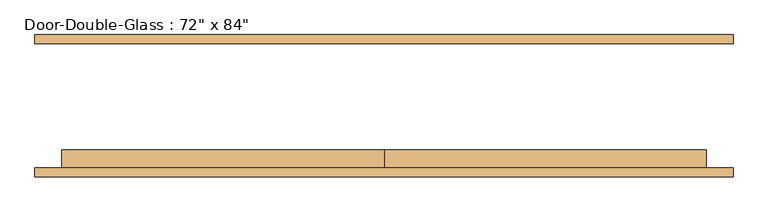
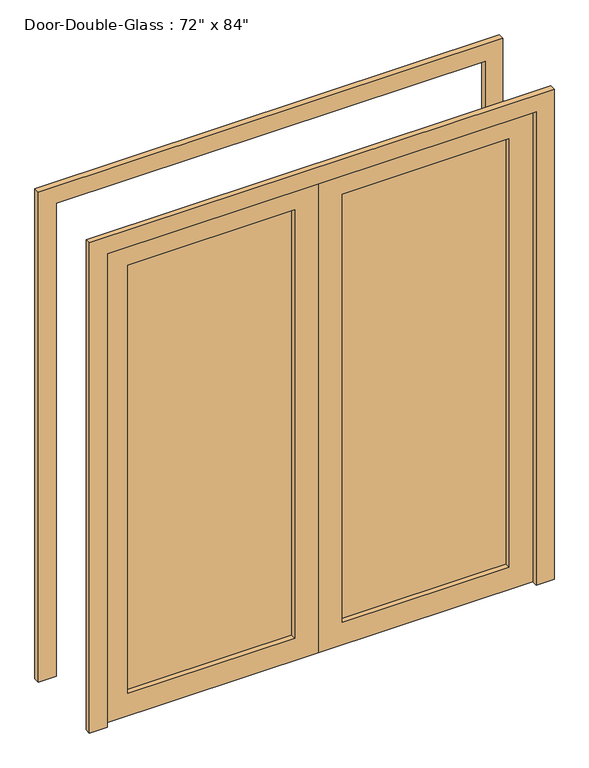
"""IFC4 building model written with IfcOpenShell, lengths in millimetres: door geometry."""

from ifc_helpers import new_model, si_unit, frame, origin, place, context, project, spatial, polyline, outline, extrude, source, transform, mapped, element, save


def door_b693ccbf(model_context):
    return source(origin(), model_context, "Body", "SweptSolid", [
        extrude(outline(polyline([(2133.6, -914.4), (0.0, -914.4), (0.0, 0.0), (2133.6, 0.0), (2133.6, -914.4)]), holes=[polyline([(2032.0, -812.8), (2032.0, -101.6), (101.6, -101.6), (101.6, -812.8), (2032.0, -812.8)])]), frame((0.0, -178.59375, 0.0), z_axis=(0.0, 1.0, 0.0), x_axis=(0.0, 0.0, 1.0)), (0.0, 0.0, 1.0), 50.8),
        extrude(outline(polyline([(2133.6, 914.4), (2133.6, 0.0), (0.0, 0.0), (0.0, 914.4), (2133.6, 914.4)]), holes=[polyline([(2032.0, 812.8), (101.6, 812.8), (101.6, 101.6), (2032.0, 101.6), (2032.0, 812.8)])]), frame((0.0, -178.59375, 0.0), z_axis=(0.0, 1.0, 0.0), x_axis=(0.0, 0.0, 1.0)), (0.0, 0.0, 1.0), 50.8),
        extrude(outline(polyline([(101.6, -156.36875), (101.6, -150.01875), (812.8, -150.01875), (812.8, -156.36875), (101.6, -156.36875)])), frame((0.0, 0.0, 101.6), z_axis=(0.0, 0.0, 1.0), x_axis=(1.0, 0.0, 0.0)), (0.0, 0.0, 1.0), 1930.4),
        extrude(outline(polyline([(-812.8, -156.36875), (-812.8, -150.01875), (-101.6, -150.01875), (-101.6, -156.36875), (-812.8, -156.36875)])), frame((0.0, 0.0, 101.6), z_axis=(0.0, 0.0, 1.0), x_axis=(1.0, 0.0, 0.0)), (0.0, 0.0, 1.0), 1930.4),
        extrude(outline(polyline([(0.0, 990.6), (2209.8, 990.6), (2209.8, -990.6), (0.0, -990.6), (0.0, -914.4), (2133.6, -914.4), (2133.6, 914.4), (0.0, 914.4), (0.0, 990.6)])), frame((0.0, -203.99375, 0.0), z_axis=(0.0, 1.0, 0.0), x_axis=(0.0, 0.0, 1.0)), (0.0, 0.0, 1.0), 25.4),
        extrude(outline(polyline([(0.0, 990.6), (2209.8, 990.6), (2209.8, -990.6), (0.0, -990.6), (0.0, -914.4), (2133.6, -914.4), (2133.6, 914.4), (0.0, 914.4), (0.0, 990.6)])), frame((0.0, 173.83125, 0.0), z_axis=(0.0, 1.0, 0.0), x_axis=(0.0, 0.0, 1.0)), (0.0, 0.0, 1.0), 25.4),
    ])


if __name__ == "__main__":
    model = new_model("IFC4")
    model_context = context("Model", 3, world=origin())
    ifc_project = project(units=[si_unit("LENGTHUNIT", "METRE", prefix="MILLI")], contexts=[model_context])
    site = spatial("IfcSite", under=ifc_project)
    building = spatial("IfcBuilding", under=site)
    placement = place(None, origin())
    door_shape = door_b693ccbf(model_context)
    element("IfcDoor", 1, ObjectType="Door-Double-Glass : 72\" x 84\"", at=placement, inside=building, context=model_context, shape_type="MappedRepresentation", body=[
        mapped(door_shape, transform((0.0, 0.0, 0.0), x_axis=(1.0, 0.0, 0.0), y_axis=(0.0, 1.0, 0.0), z_axis=(0.0, 0.0, 1.0))),
    ])
    save(model, "model.ifc")
